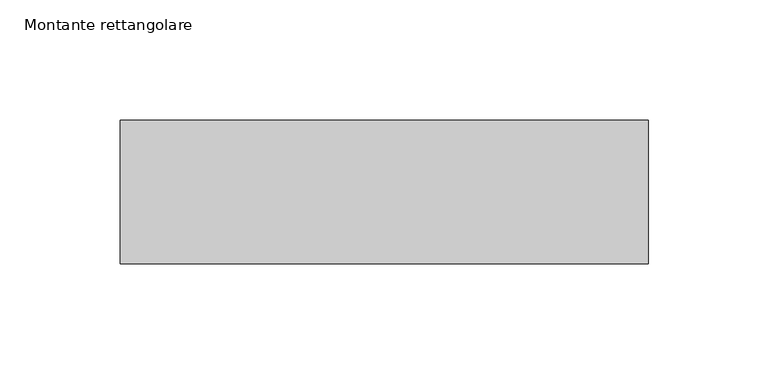
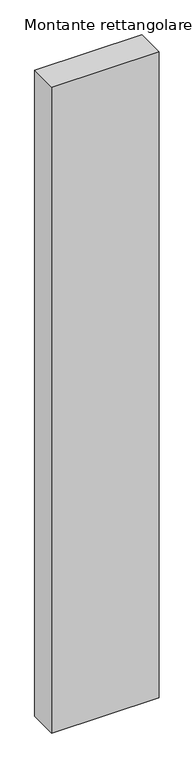
"""IFC4 building model written with IfcOpenShell, lengths in millimetres: member geometry, Montante rettangolare."""

from ifc_helpers import new_model, si_unit, frame, origin, place, context, project, spatial, polyline, outline, extrude, source, transform, mapped, element, save


def montante_rettangolare_adec7d82(model_context):
    return source(origin(), model_context, "Body", "SweptSolid", [
        extrude(outline(polyline([(110.0, 30.0), (110.0, -30.0), (-110.0, -30.0), (-110.0, 30.0), (110.0, 30.0)])), frame((0.0, 0.0, -1400.0873672), z_axis=(0.0, 0.0, 1.0), x_axis=(1.0, 0.0, 0.0)), (0.0, 0.0, 1.0), 1400.0873672),
    ])


if __name__ == "__main__":
    model = new_model("IFC4")
    model_context = context("Model", 3, world=origin())
    ifc_project = project(units=[si_unit("LENGTHUNIT", "METRE", prefix="MILLI")], contexts=[model_context])
    site = spatial("IfcSite", under=ifc_project)
    building = spatial("IfcBuilding", under=site)
    placement = place(None, origin())
    montante_rettangolare_shape = montante_rettangolare_adec7d82(model_context)
    element("IfcMember", 1, ObjectType="Montante rettangolare", at=placement, inside=building, context=model_context, shape_type="MappedRepresentation", body=[
        mapped(montante_rettangolare_shape, transform((0.0, 0.0, 0.0), x_axis=(1.0, 0.0, 0.0), y_axis=(0.0, 1.0, 0.0), z_axis=(0.0, 0.0, 1.0))),
    ])
    save(model, "model.ifc")
